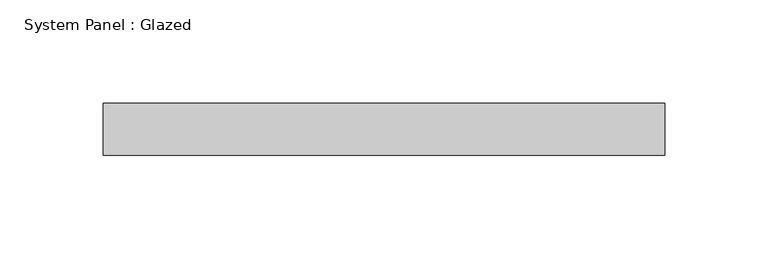
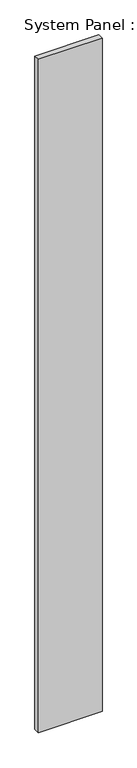
"""IFC4 building model written with IfcOpenShell, lengths in millimetres: plate geometry, System Panel : Glazed."""

from ifc_helpers import new_model, si_unit, origin, origin_with_axes, place, context, project, spatial, polyline, outline, extrude, source, transform, mapped, element, save


def system_panel_glazed_482933c0(model_context):
    return source(origin(), model_context, "Body", "SweptSolid", [
        extrude(outline(polyline([(136.2993597, 25.4), (-136.2993597, 25.4), (-136.2993597, 50.8), (136.2993597, 50.8), (136.2993597, 25.4)])), origin_with_axes(), (0.0, 0.0, 1.0), 3048.0),
    ])


if __name__ == "__main__":
    model = new_model("IFC4")
    model_context = context("Model", 3, world=origin())
    ifc_project = project(units=[si_unit("LENGTHUNIT", "METRE", prefix="MILLI")], contexts=[model_context])
    site = spatial("IfcSite", under=ifc_project)
    building = spatial("IfcBuilding", under=site)
    placement = place(None, origin())
    system_panel_glazed_shape = system_panel_glazed_482933c0(model_context)
    element("IfcPlate", 1, ObjectType="System Panel : Glazed", at=placement, inside=building, context=model_context, shape_type="MappedRepresentation", body=[
        mapped(system_panel_glazed_shape, transform((0.0, 0.0, 0.0), x_axis=(1.0, 0.0, 0.0), y_axis=(0.0, 1.0, 0.0), z_axis=(0.0, 0.0, 1.0))),
    ])
    save(model, "model.ifc")
